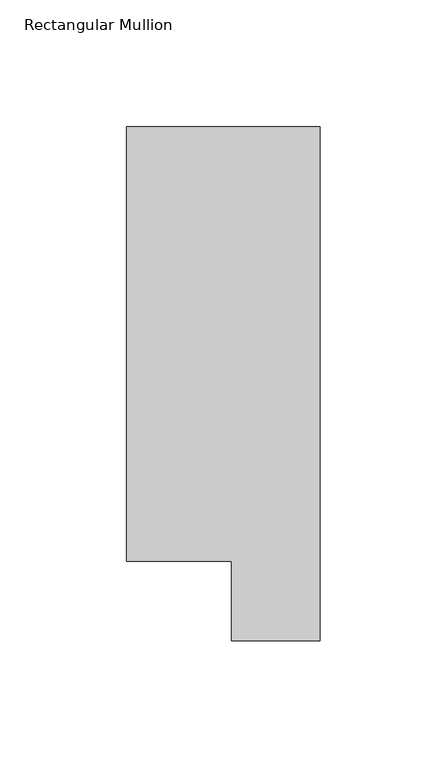
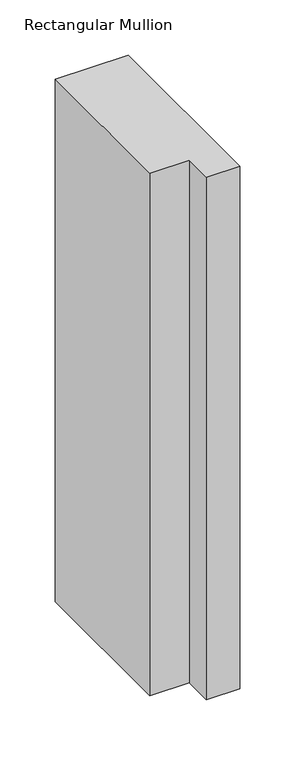
"""IFC4 building model written with IfcOpenShell, lengths in millimetres: member geometry, Rectangular Mullion."""

from ifc_helpers import new_model, si_unit, frame, origin, place, context, project, spatial, polyline, outline, extrude, source, transform, mapped, element, save


def rectangular_mullion_943faaf8(model_context):
    return source(origin(), model_context, "Body", "SweptSolid", [
        extrude(outline(polyline([(0.0, 222.0301313), (0.0, 19.5667313), (-34.9123, 19.5667312), (-34.9123, 50.820278), (-76.2, 50.820278), (-76.2, 222.0301313), (0.0, 222.0301313)])), frame((0.0, 0.0, -577.8499998), z_axis=(0.0, 0.0, 1.0), x_axis=(1.0, 0.0, 0.0)), (0.0, 0.0, 1.0), 577.8499998),
    ])


if __name__ == "__main__":
    model = new_model("IFC4")
    model_context = context("Model", 3, world=origin())
    ifc_project = project(units=[si_unit("LENGTHUNIT", "METRE", prefix="MILLI")], contexts=[model_context])
    site = spatial("IfcSite", under=ifc_project)
    building = spatial("IfcBuilding", under=site)
    placement = place(None, origin())
    rectangular_mullion_shape = rectangular_mullion_943faaf8(model_context)
    element("IfcMember", 1, ObjectType="Rectangular Mullion", at=placement, inside=building, context=model_context, shape_type="MappedRepresentation", body=[
        mapped(rectangular_mullion_shape, transform((0.0, 0.0, 0.0), x_axis=(1.0, 0.0, 0.0), y_axis=(0.0, 1.0, 0.0), z_axis=(0.0, 0.0, 1.0))),
    ])
    save(model, "model.ifc")
